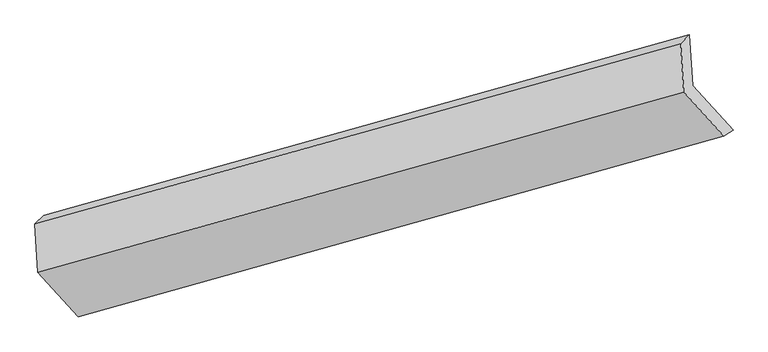
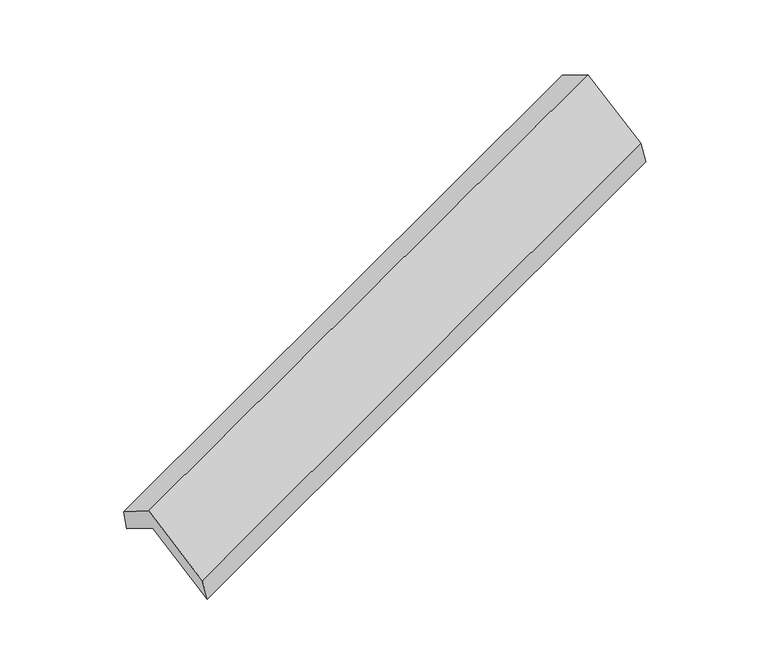
"""IFC4 building model written with IfcOpenShell, lengths in millimetres: proxy geometry."""

from ifc_helpers import new_model, si_unit, origin, place, context, project, spatial, faceted_brep, source, transform, mapped, element, save


def generic_models_4365f09d(model_context):
    return source(origin(), model_context, "Body", "Brep", [
        faceted_brep([(-5100.46504, -2107.7195841, 1282.3238767), (-5121.8933666, -1762.9037177, 1074.3628165), (-751.5038435, -539.963358, 2651.7692089), (-730.0755169, -884.7792245, 2859.7302691), (-5180.9810514, -1821.4372598, 1284.4933088), (-810.5915283, -598.4969001, 2861.8997012), (-5160.5785567, -2149.7458587, 1482.4987109), (-790.1890337, -926.805499, 3059.9051034), (-4886.7398261, -2451.6812692, 953.6495799), (-520.4514777, -1224.2189421, 2538.9763371), (-4822.5251349, -2414.1769622, 745.554381), (-456.2367864, -1186.714635, 2330.8811381)], [[[0, 1, 2, 3]], [[1, 4, 5, 2]], [[4, 6, 7, 5]], [[6, 8, 9, 7]], [[8, 10, 11, 9]], [[10, 0, 3, 11]], [[9, 11, 3, 2, 5, 7]], [[0, 10, 8, 6, 4, 1]]]),
    ])


if __name__ == "__main__":
    model = new_model("IFC4")
    model_context = context("Model", 3, world=origin())
    ifc_project = project(units=[si_unit("LENGTHUNIT", "METRE", prefix="MILLI")], contexts=[model_context])
    site = spatial("IfcSite", under=ifc_project)
    building = spatial("IfcBuilding", under=site)
    placement = place(None, origin())
    generic_models_shape = generic_models_4365f09d(model_context)
    element("IfcBuildingElementProxy", 1, Name="Generic Models", at=placement, inside=building, context=model_context, shape_type="MappedRepresentation", body=[
        mapped(generic_models_shape, transform((0.0, 0.0, 0.0), x_axis=(1.0, 0.0, 0.0), y_axis=(0.0, 1.0, 0.0), z_axis=(0.0, 0.0, 1.0))),
    ])
    save(model, "model.ifc")
